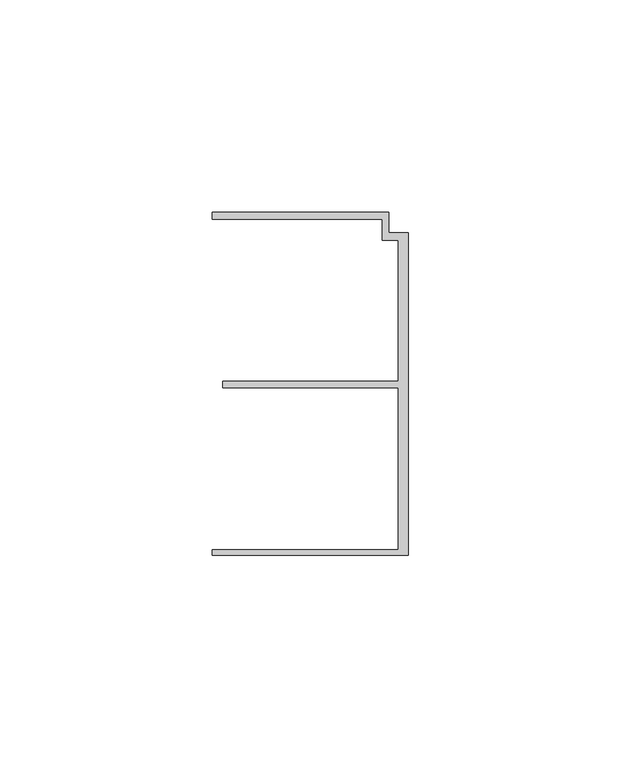
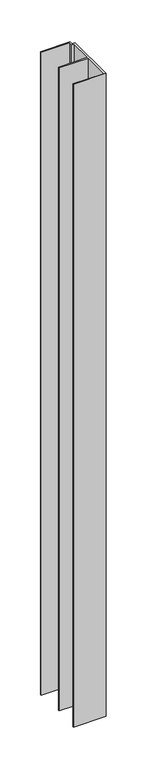
"""IFC4 building model written with IfcOpenShell, lengths in millimetres: member geometry."""

from ifc_helpers import new_model, si_unit, frame, origin, place, context, project, spatial, polyline, outline, extrude, source, transform, mapped, element, save


def member_3fcc0b1a(model_context):
    return source(origin(), model_context, "Body", "SweptSolid", [
        extrude(outline(polyline([(-6.2, 33.95), (-6.2, 38.95), (-46.3, 38.95), (-46.3, 40.65), (-4.6999992, 40.65), (-4.6999992, 35.75), (0.0, 35.75), (0.0, -40.25), (-46.3, -40.25), (-46.3, -38.95), (-2.4, -38.95), (-2.4, -0.75), (-43.8, -0.75), (-43.8, 0.75), (-2.4, 0.75), (-2.4, 33.95), (-6.2, 33.95)])), frame((0.0, 0.0, -963.5810043), z_axis=(0.0, 0.0, 1.0), x_axis=(1.0, 0.0, 0.0)), (0.0, 0.0, 1.0), 963.5810043),
    ])


if __name__ == "__main__":
    model = new_model("IFC4")
    model_context = context("Model", 3, world=origin())
    ifc_project = project(units=[si_unit("LENGTHUNIT", "METRE", prefix="MILLI")], contexts=[model_context])
    site = spatial("IfcSite", under=ifc_project)
    building = spatial("IfcBuilding", under=site)
    placement = place(None, origin())
    member_shape = member_3fcc0b1a(model_context)
    element("IfcMember", 1, at=placement, inside=building, context=model_context, shape_type="MappedRepresentation", body=[
        mapped(member_shape, transform((0.0, 0.0, 0.0), x_axis=(1.0, 0.0, 0.0), y_axis=(0.0, 1.0, 0.0), z_axis=(0.0, 0.0, 1.0))),
    ])
    save(model, "model.ifc")
